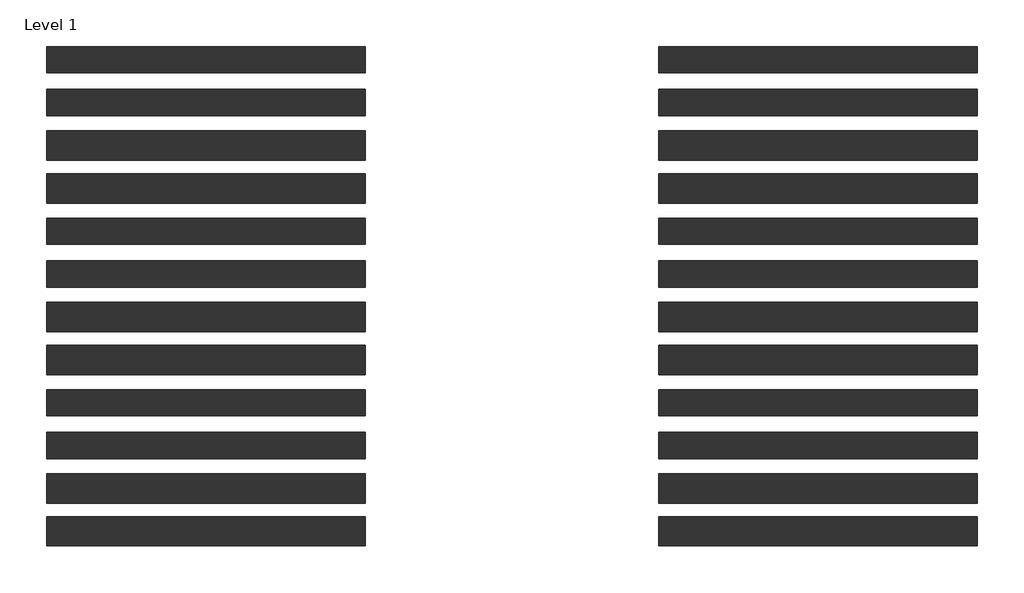
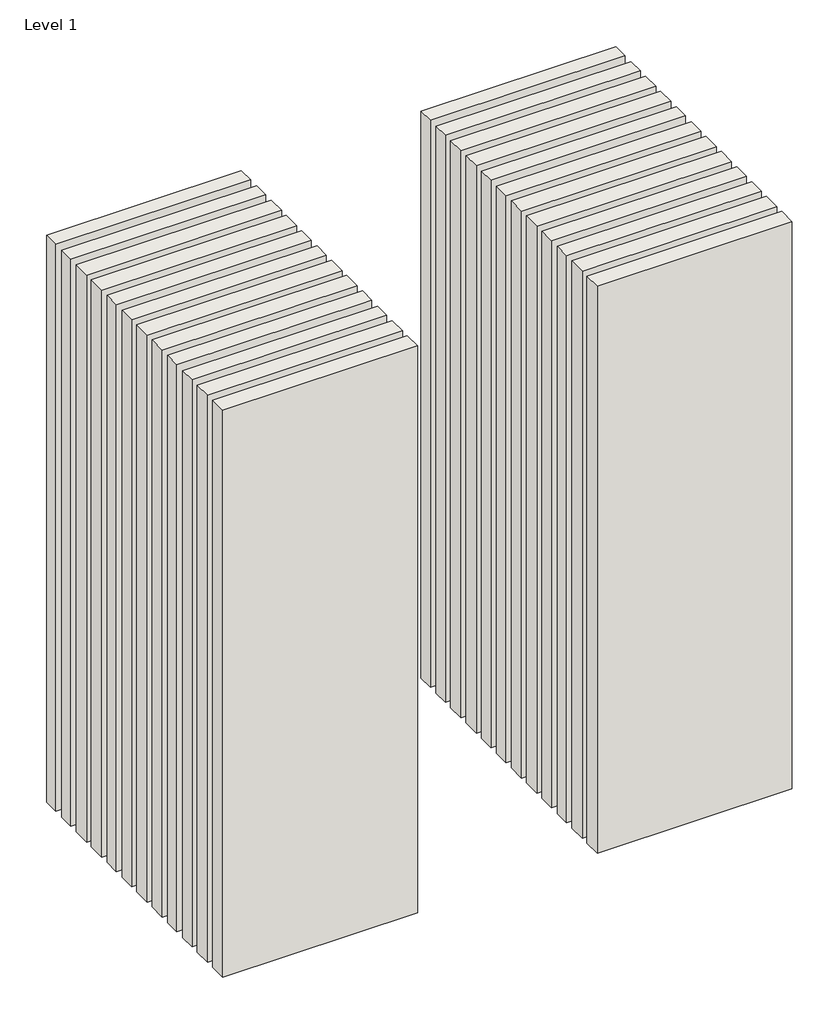
# One storey: 24 walls.
"""IFC4 building model written with IfcOpenShell, lengths in millimetres."""

from ifc_helpers import new_model, si_unit, origin, origin_with_axes, place, context, project, spatial, polyline, outline, extrude, element, save

model = new_model("IFC4")

# Units and contexts
model_context = context("Model", 3, world=origin())
ifc_project = project(units=[si_unit("LENGTHUNIT", "METRE", prefix="MILLI")], contexts=[model_context])

# Site, building, storey
site = spatial("IfcSite", under=ifc_project)
building = spatial("IfcBuilding", under=site)
storey = spatial("IfcBuildingStorey", under=building, Name="Level 1", Elevation=0.0)

# Walls
placement = place(None, origin())
element("IfcWall", 1, at=placement, inside=storey, context=model_context, shape_type="SweptSolid", body=[
    extrude(outline(polyline([(-16904.1464237, 2566.4042935), (-19504.1464237, 2566.4042935), (-19504.1464237, 2806.4042935), (-16904.1464237, 2806.4042935), (-16904.1464237, 2566.4042935)])), origin_with_axes(), (0.0, 0.0, 1.0), 8000.0),
])
element("IfcWall", 2, at=placement, inside=storey, context=model_context, shape_type="SweptSolid", body=[
    extrude(outline(polyline([(-16904.1464237, 2228.9042935), (-19504.1464237, 2228.9042935), (-19504.1464237, 2443.9042935), (-16904.1464237, 2443.9042935), (-16904.1464237, 2228.9042935)])), origin_with_axes(), (0.0, 0.0, 1.0), 8000.0),
])
element("IfcWall", 3, at=placement, inside=storey, context=model_context, shape_type="SweptSolid", body=[
    extrude(outline(polyline([(-16904.1464237, 1878.9042935), (-19504.1464237, 1878.9042935), (-19504.1464237, 2093.9042935), (-16904.1464237, 2093.9042935), (-16904.1464237, 1878.9042935)])), origin_with_axes(), (0.0, 0.0, 1.0), 8000.0),
])
element("IfcWall", 4, at=placement, inside=storey, context=model_context, shape_type="SweptSolid", body=[
    extrude(outline(polyline([(-16904.1464237, 3628.9042935), (-19504.1464237, 3628.9042935), (-19504.1464237, 3843.9042935), (-16904.1464237, 3843.9042935), (-16904.1464237, 3628.9042935)])), origin_with_axes(), (0.0, 0.0, 1.0), 8000.0),
])
element("IfcWall", 5, at=placement, inside=storey, context=model_context, shape_type="SweptSolid", body=[
    extrude(outline(polyline([(-16904.1464237, 3278.9042935), (-19504.1464237, 3278.9042935), (-19504.1464237, 3493.9042935), (-16904.1464237, 3493.9042935), (-16904.1464237, 3278.9042935)])), origin_with_axes(), (0.0, 0.0, 1.0), 8000.0),
])
element("IfcWall", 6, at=placement, inside=storey, context=model_context, shape_type="SweptSolid", body=[
    extrude(outline(polyline([(-16904.1464237, 2916.4042935), (-19504.1464237, 2916.4042935), (-19504.1464237, 3156.4042935), (-16904.1464237, 3156.4042935), (-16904.1464237, 2916.4042935)])), origin_with_axes(), (0.0, 0.0, 1.0), 8000.0),
])
element("IfcWall", 7, at=placement, inside=storey, context=model_context, shape_type="SweptSolid", body=[
    extrude(outline(polyline([(-16904.1464237, 1516.4042935), (-19504.1464237, 1516.4042935), (-19504.1464237, 1756.4042935), (-16904.1464237, 1756.4042935), (-16904.1464237, 1516.4042935)])), origin_with_axes(), (0.0, 0.0, 1.0), 8000.0),
])
element("IfcWall", 8, at=placement, inside=storey, context=model_context, shape_type="SweptSolid", body=[
    extrude(outline(polyline([(-16904.1464237, 1166.4042935), (-19504.1464237, 1166.4042935), (-19504.1464237, 1406.4042935), (-16904.1464237, 1406.4042935), (-16904.1464237, 1166.4042935)])), origin_with_axes(), (0.0, 0.0, 1.0), 8000.0),
])
element("IfcWall", 9, at=placement, inside=storey, context=model_context, shape_type="SweptSolid", body=[
    extrude(outline(polyline([(-16904.1464237, 828.9042935), (-19504.1464237, 828.9042935), (-19504.1464237, 1043.9042935), (-16904.1464237, 1043.9042935), (-16904.1464237, 828.9042935)])), origin_with_axes(), (0.0, 0.0, 1.0), 8000.0),
])
element("IfcWall", 10, at=placement, inside=storey, context=model_context, shape_type="SweptSolid", body=[
    extrude(outline(polyline([(-16904.1464237, 478.9042935), (-19504.1464237, 478.9042935), (-19504.1464237, 693.9042935), (-16904.1464237, 693.9042935), (-16904.1464237, 478.9042935)])), origin_with_axes(), (0.0, 0.0, 1.0), 8000.0),
])
element("IfcWall", 11, at=placement, inside=storey, context=model_context, shape_type="SweptSolid", body=[
    extrude(outline(polyline([(-16904.1464237, 116.4042935), (-19504.1464237, 116.4042935), (-19504.1464237, 356.4042935), (-16904.1464237, 356.4042935), (-16904.1464237, 116.4042935)])), origin_with_axes(), (0.0, 0.0, 1.0), 8000.0),
])
element("IfcWall", 12, at=placement, inside=storey, context=model_context, shape_type="SweptSolid", body=[
    extrude(outline(polyline([(-16904.1464237, -233.5957065), (-19504.1464237, -233.5957065), (-19504.1464237, 6.4042935), (-16904.1464237, 6.4042935), (-16904.1464237, -233.5957065)])), origin_with_axes(), (0.0, 0.0, 1.0), 8000.0),
])
element("IfcWall", 13, at=placement, inside=storey, context=model_context, shape_type="SweptSolid", body=[
    extrude(outline(polyline([(-11904.1464237, 2566.4042935), (-14504.1464237, 2566.4042935), (-14504.1464237, 2806.4042935), (-11904.1464237, 2806.4042935), (-11904.1464237, 2566.4042935)])), origin_with_axes(), (0.0, 0.0, 1.0), 8000.0),
])
element("IfcWall", 14, at=placement, inside=storey, context=model_context, shape_type="SweptSolid", body=[
    extrude(outline(polyline([(-11904.1464237, 2228.9042935), (-14504.1464237, 2228.9042935), (-14504.1464237, 2443.9042935), (-11904.1464237, 2443.9042935), (-11904.1464237, 2228.9042935)])), origin_with_axes(), (0.0, 0.0, 1.0), 8000.0),
])
element("IfcWall", 15, at=placement, inside=storey, context=model_context, shape_type="SweptSolid", body=[
    extrude(outline(polyline([(-11904.1464237, 1878.9042935), (-14504.1464237, 1878.9042935), (-14504.1464237, 2093.9042935), (-11904.1464237, 2093.9042935), (-11904.1464237, 1878.9042935)])), origin_with_axes(), (0.0, 0.0, 1.0), 8000.0),
])
element("IfcWall", 16, at=placement, inside=storey, context=model_context, shape_type="SweptSolid", body=[
    extrude(outline(polyline([(-11904.1464237, 3628.9042935), (-14504.1464237, 3628.9042935), (-14504.1464237, 3843.9042935), (-11904.1464237, 3843.9042935), (-11904.1464237, 3628.9042935)])), origin_with_axes(), (0.0, 0.0, 1.0), 8000.0),
])
element("IfcWall", 17, at=placement, inside=storey, context=model_context, shape_type="SweptSolid", body=[
    extrude(outline(polyline([(-11904.1464237, 3278.9042935), (-14504.1464237, 3278.9042935), (-14504.1464237, 3493.9042935), (-11904.1464237, 3493.9042935), (-11904.1464237, 3278.9042935)])), origin_with_axes(), (0.0, 0.0, 1.0), 8000.0),
])
element("IfcWall", 18, at=placement, inside=storey, context=model_context, shape_type="SweptSolid", body=[
    extrude(outline(polyline([(-11904.1464237, 2916.4042935), (-14504.1464237, 2916.4042935), (-14504.1464237, 3156.4042935), (-11904.1464237, 3156.4042935), (-11904.1464237, 2916.4042935)])), origin_with_axes(), (0.0, 0.0, 1.0), 8000.0),
])
element("IfcWall", 19, at=placement, inside=storey, context=model_context, shape_type="SweptSolid", body=[
    extrude(outline(polyline([(-11904.1464237, 1516.4042935), (-14504.1464237, 1516.4042935), (-14504.1464237, 1756.4042935), (-11904.1464237, 1756.4042935), (-11904.1464237, 1516.4042935)])), origin_with_axes(), (0.0, 0.0, 1.0), 8000.0),
])
element("IfcWall", 20, at=placement, inside=storey, context=model_context, shape_type="SweptSolid", body=[
    extrude(outline(polyline([(-11904.1464237, 1166.4042935), (-14504.1464237, 1166.4042935), (-14504.1464237, 1406.4042935), (-11904.1464237, 1406.4042935), (-11904.1464237, 1166.4042935)])), origin_with_axes(), (0.0, 0.0, 1.0), 8000.0),
])
element("IfcWall", 21, at=placement, inside=storey, context=model_context, shape_type="SweptSolid", body=[
    extrude(outline(polyline([(-11904.1464237, 828.9042935), (-14504.1464237, 828.9042935), (-14504.1464237, 1043.9042935), (-11904.1464237, 1043.9042935), (-11904.1464237, 828.9042935)])), origin_with_axes(), (0.0, 0.0, 1.0), 8000.0),
])
element("IfcWall", 22, at=placement, inside=storey, context=model_context, shape_type="SweptSolid", body=[
    extrude(outline(polyline([(-11904.1464237, 478.9042935), (-14504.1464237, 478.9042935), (-14504.1464237, 693.9042935), (-11904.1464237, 693.9042935), (-11904.1464237, 478.9042935)])), origin_with_axes(), (0.0, 0.0, 1.0), 8000.0),
])
element("IfcWall", 23, at=placement, inside=storey, context=model_context, shape_type="SweptSolid", body=[
    extrude(outline(polyline([(-11904.1464237, 116.4042935), (-14504.1464237, 116.4042935), (-14504.1464237, 356.4042935), (-11904.1464237, 356.4042935), (-11904.1464237, 116.4042935)])), origin_with_axes(), (0.0, 0.0, 1.0), 8000.0),
])
element("IfcWall", 24, at=placement, inside=storey, context=model_context, shape_type="SweptSolid", body=[
    extrude(outline(polyline([(-11904.1464237, -233.5957065), (-14504.1464237, -233.5957065), (-14504.1464237, 6.4042935), (-11904.1464237, 6.4042935), (-11904.1464237, -233.5957065)])), origin_with_axes(), (0.0, 0.0, 1.0), 8000.0),
])

save(model, "model.ifc")
